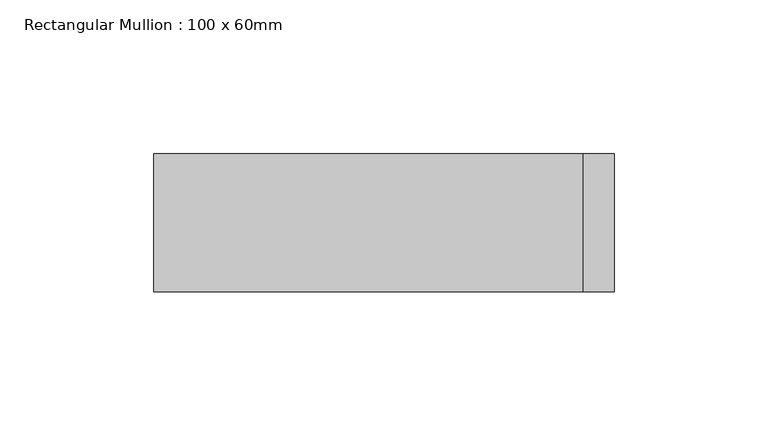
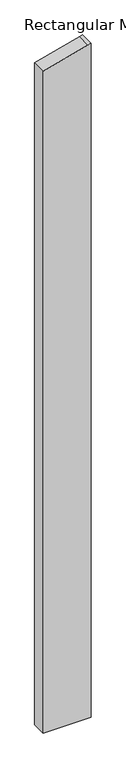
"""IFC4 building model written with IfcOpenShell, lengths in millimetres: member geometry, Rectangular Mullion : 100 x 60mm."""

from ifc_helpers import new_model, si_unit, frame, origin, place, context, project, spatial, polyline, outline, extrude, source, transform, mapped, element, save


def rectangular_mullion_100_x_60mm_0a40ddef(model_context):
    return source(origin(), model_context, "Body", "SweptSolid", [
        extrude(outline(polyline([(-238.7228557, 75.0), (-241.4814566, 64.7047613), (-278.9152345, -75.0), (-2466.1345845, -75.0), (-2466.1345845, 75.0), (-238.7228557, 75.0)])), frame((0.0, -30.0, 0.0), z_axis=(0.0, 1.0, 0.0), x_axis=(0.0, 0.0, 1.0)), (0.0, 0.0, 1.0), 45.0),
    ])


if __name__ == "__main__":
    model = new_model("IFC4")
    model_context = context("Model", 3, world=origin())
    ifc_project = project(units=[si_unit("LENGTHUNIT", "METRE", prefix="MILLI")], contexts=[model_context])
    site = spatial("IfcSite", under=ifc_project)
    building = spatial("IfcBuilding", under=site)
    placement = place(None, origin())
    rectangular_mullion_100_x_60mm_shape = rectangular_mullion_100_x_60mm_0a40ddef(model_context)
    element("IfcMember", 1, ObjectType="Rectangular Mullion : 100 x 60mm", at=placement, inside=building, context=model_context, shape_type="MappedRepresentation", body=[
        mapped(rectangular_mullion_100_x_60mm_shape, transform((0.0, 0.0, 0.0), x_axis=(1.0, 0.0, 0.0), y_axis=(0.0, 1.0, 0.0), z_axis=(0.0, 0.0, 1.0))),
    ])
    save(model, "model.ifc")
